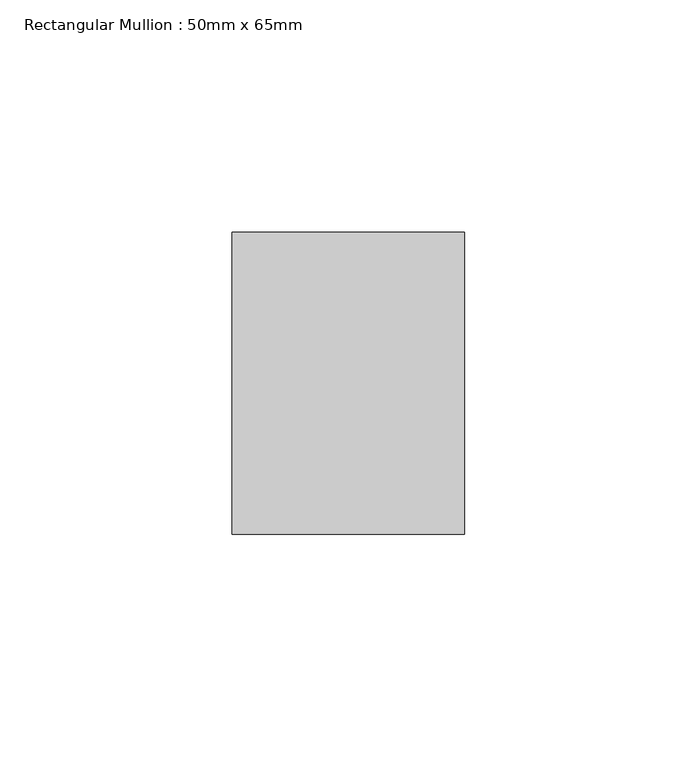
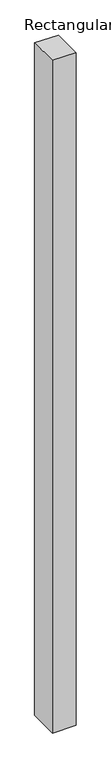
"""IFC4 building model written with IfcOpenShell, lengths in millimetres: member geometry, Rectangular Mullion : 50mm x 65mm."""

from ifc_helpers import new_model, si_unit, frame, origin, place, context, project, spatial, polyline, outline, extrude, source, transform, mapped, element, save


def rectangular_mullion_50mm_x_65mm_a635d795(model_context):
    return source(origin(), model_context, "Body", "SweptSolid", [
        extrude(outline(polyline([(-32.5, 0.1073317), (32.5, -0.1073315), (32.5, -1499.9558568), (-32.5, -1500.0445313), (-32.5, 0.1073317)])), frame((-25.0, 0.0, 0.0), z_axis=(1.0, 0.0, 0.0), x_axis=(0.0, 1.0, 0.0)), (0.0, 0.0, 1.0), 50.0),
    ])


if __name__ == "__main__":
    model = new_model("IFC4")
    model_context = context("Model", 3, world=origin())
    ifc_project = project(units=[si_unit("LENGTHUNIT", "METRE", prefix="MILLI")], contexts=[model_context])
    site = spatial("IfcSite", under=ifc_project)
    building = spatial("IfcBuilding", under=site)
    placement = place(None, origin())
    rectangular_mullion_50mm_x_65mm_shape = rectangular_mullion_50mm_x_65mm_a635d795(model_context)
    element("IfcMember", 1, ObjectType="Rectangular Mullion : 50mm x 65mm", at=placement, inside=building, context=model_context, shape_type="MappedRepresentation", body=[
        mapped(rectangular_mullion_50mm_x_65mm_shape, transform((0.0, 0.0, 0.0), x_axis=(1.0, 0.0, 0.0), y_axis=(0.0, 1.0, 0.0), z_axis=(0.0, 0.0, 1.0))),
    ])
    save(model, "model.ifc")
